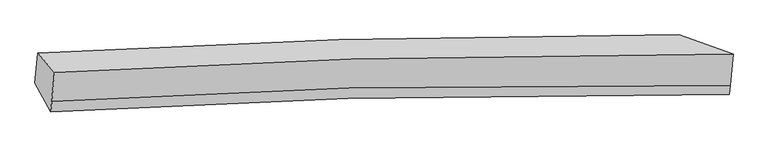
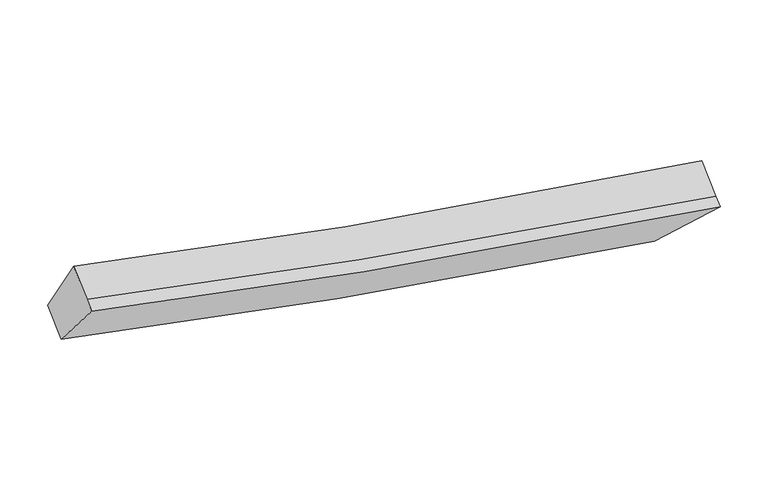
"""IFC4 building model written with IfcOpenShell, lengths in millimetres: proxy geometry."""

from ifc_helpers import new_model, si_unit, frame, origin, place, context, project, spatial, source, transform, mapped, element, save
from ifc_brep_helpers import plane_surface, spline_curve, spline_surface, advanced_brep


def generic_models_a86edc27(model_context):
    return source(origin(), model_context, "Body", "AdvancedBrep", [
        advanced_brep(
        [(-3768.7200164, -1837.3571169, 3770.416521), (-3553.0541688, -2086.0292659, 4405.5065287), (5180.675078, -1850.7125673, 2736.8509663), (4483.9460682, -1600.6828595, 2171.088814), (-3588.2545956, -2460.8956087, 4167.3716701), (5142.7929493, -2254.1376492, 2480.5740914), (-3600.8966666, -2595.5271283, 4081.846633), (5131.7311372, -2371.9402289, 2405.739684), (-3804.9261544, -2222.9337645, 3525.4779124), (4446.6234733, -1998.1491965, 1918.5972479)],
        [
            (0, 1),
            (1, 2, spline_curve(3, [(-3553.0541688, -2086.0292659, 4405.5065287), (-2316.325202993, -2011.109273895, 4086.216984149), (-1042.312830907, -1954.031967709, 3797.410274788), (1851.885776351, -1867.436109861, 3227.256226947), (3489.116486075, -1846.074516311, 2959.84441549), (5180.675078, -1850.7125673, 2736.8509663)], [4, 2, 4], [0.0, 12.869900217892692, 28.405526718290748])),
            (2, 3),
            (3, 0, spline_curve(3, [(4483.9460682, -1600.6828595, 2171.088814), (3078.78674097, -1593.865757717, 2348.134013467), (1619.282956278, -1614.375431979, 2587.815163249), (-1148.655413971, -1701.840176067, 3140.575393585), (-2440.040323919, -1760.221920347, 3434.003478972), (-3768.7200164, -1837.3571169, 3770.416521)], [4, 2, 4], [0.0, 15.535626500398056, 28.405526718290748])),
            (1, 4),
            (4, 5, spline_curve(3, [(-3588.2545956, -2460.8956087, 4167.3716701), (-2351.190117838, -2382.402587943, 3850.351901922), (-1077.177745708, -2325.325281868, 3561.545192504), (1816.280343593, -2246.615558461, 2986.381456111), (3452.617152649, -2234.773544583, 2712.922305895), (5142.7929493, -2254.1376492, 2480.5740914)], [4, 2, 4], [0.0, 13.23068285062829, 29.20182043775708])),
            (5, 2),
            (4, 6),
            (6, 7, spline_curve(3, [(-3600.8966666, -2595.5271283, 4081.846633), (-2364.029897575, -2519.139602684, 3763.489343024), (-1090.01752525, -2462.062296857, 3474.682633658), (1803.876932036, -2378.705474055, 2902.470979958), (3440.740494658, -2361.2538136, 2632.575372881), (5131.7311372, -2371.9402289, 2405.739684)], [4, 2, 4], [0.0, 13.230695913678227, 29.201849269590095])),
            (7, 5),
            (6, 8),
            (8, 9, spline_curve(3, [(-3804.9261544, -2222.9337645, 3525.4779124), (-2476.106780593, -2144.311030084, 3190.009832673), (-1184.721870099, -2085.929285815, 2896.581747067), (1582.908204276, -2001.74772928, 2341.735863537), (3042.039837087, -1985.201284423, 2099.537060932), (4446.6234733, -1998.1491965, 1918.5972479)], [4, 2, 4], [0.0, 12.869863147850417, 28.40544489993486])),
            (9, 7),
            (8, 0),
            (3, 9),
        ],
        [
            spline_surface(3, 3, [[(-3768.7200164, -1837.3571169, 3770.416521), (-2440.040324131, -1760.22192043, 3434.003479072), (-1148.655414003, -1701.840175854, 3140.57539343), (1619.282956317, -1614.375432236, 2587.815163436), (3078.78674103, -1593.865757677, 2348.134013426), (4483.9460682, -1600.6828595, 2171.088814)], [(-3696.831400535, -1920.247833233, 3982.113190235), (-2398.801950486, -1843.851038305, 3651.407980751), (-1113.207886284, -1785.90410654, 3359.520353899), (1696.817229681, -1698.728991362, 2800.962184598), (3215.563322787, -1677.935343868, 2552.037480753), (4716.189071467, -1684.026095459, 2359.676198101)], [(-3624.942784665, -2003.138549567, 4193.809859465), (-2357.563576837, -1927.480156179, 3868.812482425), (-1077.760358625, -1869.968037226, 3578.465314353), (1774.351502985, -1783.08255049, 3014.109205744), (3352.339904544, -1762.004929982, 2755.940948076), (4948.432074733, -1767.369331341, 2548.263582199)], [(-3553.0541688, -2086.0292659, 4405.5065287), (-2316.325203192, -2011.109274054, 4086.216984104), (-1042.312830906, -1954.031967912, 3797.410274822), (1851.885776349, -1867.436109616, 3227.256226906), (3489.116486301, -1846.074516172, 2959.844415403), (5180.675078, -1850.7125673, 2736.8509663)]], [4, 4], [4, 2, 4], [0.0, 2.354558683594289], [0.0, 12.869900217892692, 28.405526718290748]),
            spline_surface(3, 3, [[(-3553.0541688, -2086.0292659, 4405.5065287), (-2316.325203192, -2011.109274054, 4086.216984104), (-1042.312830906, -1954.031967912, 3797.410274822), (1851.885776349, -1867.436109616, 3227.256226906), (3489.116486301, -1846.074516172, 2959.844415403), (5180.675078, -1850.7125673, 2736.8509663)], [(-3564.787644388, -2210.984713516, 4326.128242493), (-2327.946841462, -2134.873712075, 4007.595289965), (-1053.934469177, -2077.796405934, 3718.788580683), (1840.017298722, -1993.829259149, 3146.964636666), (3476.950041791, -1975.640858933, 2877.537045579), (5168.047701763, -1985.1875946, 2651.425341341)], [(-3576.521120012, -2335.940161084, 4246.749956307), (-2339.56847977, -2258.638150049, 3928.973595845), (-1065.556107385, -2201.560844007, 3640.166886564), (1828.148821157, -2120.222408734, 3066.673046446), (3464.783597292, -2105.207201694, 2795.229675734), (5155.420325537, -2119.6626219, 2565.999716359)], [(-3588.2545956, -2460.8956087, 4167.3716701), (-2351.190118041, -2382.402588071, 3850.351901706), (-1077.177745655, -2325.325282029, 3561.545192425), (1816.280343529, -2246.615558267, 2986.381456207), (3452.617152781, -2234.773544455, 2712.92230591), (5142.7929493, -2254.1376492, 2480.5740914)]], [4, 4], [4, 2, 4], [0.0, 1.4663974804050244], [0.0, 13.23068285062829, 29.20182043775708]),
            spline_surface(3, 3, [[(-3588.2545956, -2460.8956087, 4167.3716701), (-2351.190118041, -2382.402588071, 3850.351901706), (-1077.177745655, -2325.325282029, 3561.545192425), (1816.280343529, -2246.615558267, 2986.381456207), (3452.617152781, -2234.773544455, 2712.92230591), (5142.7929493, -2254.1376492, 2480.5740914)], [(-3592.468619288, -2505.772781896, 4138.863324397), (-2355.47004462, -2427.981592987, 3821.397715504), (-1081.457672235, -2370.904286945, 3532.591006223), (1812.145873117, -2290.64553022, 2958.411297386), (3448.658266689, -2276.933634191, 2686.139994826), (5139.105678573, -2293.405175747, 2455.62928891)], [(-3596.682642912, -2550.649955104, 4110.354978703), (-2359.749971137, -2473.560597914, 3792.443529311), (-1085.737598851, -2416.483291872, 3503.63682003), (1808.011402667, -2334.675502185, 2930.441138574), (3444.699380677, -2319.093723988, 2659.357683813), (5135.418407927, -2332.672702353, 2430.68448649)], [(-3600.8966666, -2595.5271283, 4081.846633), (-2364.029897716, -2519.13960283, 3763.489343109), (-1090.017525431, -2462.062296788, 3474.682633828), (1803.876932254, -2378.705474138, 2902.470979753), (3440.740494585, -2361.253813724, 2632.57537273), (5131.7311372, -2371.9402289, 2405.739684)]], [4, 4], [4, 2, 4], [0.0, 0.5221196202646026], [0.0, 13.230695913678227, 29.201849269590095]),
            spline_surface(3, 3, [[(-3600.8966666, -2595.5271283, 4081.846633), (-2364.029897716, -2519.13960283, 3763.489343109), (-1090.017525431, -2462.062296788, 3474.682633828), (1803.876932254, -2378.705474138, 2902.470979753), (3440.740494585, -2361.253813724, 2632.57537273), (5131.7311372, -2371.9402289, 2405.739684)], [(-3668.90649586, -2471.329340349, 3896.39039278), (-2401.388858619, -2394.196745292, 3572.329506339), (-1121.585640407, -2336.684626439, 3281.982338268), (1730.220689666, -2253.052892584, 2715.559274337), (3307.840275391, -2235.902970704, 2454.895935504), (4903.361915901, -2247.343218117, 2243.358871981)], [(-3736.91632514, -2347.131552451, 3710.93415262), (-2438.747819539, -2269.253887807, 3381.169669629), (-1153.153755338, -2211.306956042, 3089.282042678), (1656.564447123, -2127.400310981, 2528.647568891), (3174.940056193, -2110.552127632, 2277.216498235), (4674.992694599, -2122.746207283, 2080.978059919)], [(-3804.9261544, -2222.9337645, 3525.4779124), (-2476.106780441, -2144.311030269, 3190.009832859), (-1184.721870313, -2085.929285693, 2896.581747118), (1582.908204534, -2001.747729427, 2341.735863475), (3042.039836999, -1985.201284612, 2099.537061009), (4446.6234733, -1998.1491965, 1918.5972479)]], [4, 4], [4, 2, 4], [0.0, 2.3044554488787155], [0.0, 12.869863147850417, 28.40544489993486]),
            spline_surface(3, 3, [[(-3804.9261544, -2222.9337645, 3525.4779124), (-2476.106780441, -2144.311030269, 3190.009832859), (-1184.721870313, -2085.929285693, 2896.581747118), (1582.908204534, -2001.747729427, 2341.735863475), (3042.039836999, -1985.201284612, 2099.537061009), (4446.6234733, -1998.1491965, 1918.5972479)], [(-3792.85744173, -2094.408215305, 3607.124115295), (-2464.084628334, -2016.281326995, 3271.341048291), (-1172.699718206, -1957.899582419, 2977.91296255), (1595.033121799, -1872.623630369, 2423.76229679), (3054.288805038, -1854.756108944, 2182.402711815), (4459.064338296, -1865.660417477, 2002.761103267)], [(-3780.78872907, -1965.882666095, 3688.770318105), (-2452.062476238, -1888.251623704, 3352.67226364), (-1160.67756611, -1829.869879128, 3059.244177998), (1607.158039052, -1743.499531295, 2505.788730121), (3066.53777299, -1724.310933345, 2265.26836262), (4471.505203204, -1733.171638523, 2086.924958633)], [(-3768.7200164, -1837.3571169, 3770.416521), (-2440.040324131, -1760.22192043, 3434.003479072), (-1148.655414003, -1701.840175854, 3140.57539343), (1619.282956317, -1614.375432236, 2587.815163436), (3078.78674103, -1593.865757677, 2348.134013426), (4483.9460682, -1600.6828595, 2171.088814)]], [4, 4], [4, 2, 4], [0.0, 1.5053694228084795], [0.0, 12.509020170254477, 27.609017991592644]),
            plane_surface(frame((4810.7439392, -1955.3712131, 2308.0691781), z_axis=(0.6627256680362557, 0.35621853997470815, -0.6587131702829283), x_axis=(-0.744682243365653, 0.4062946003781077, -0.5295026478871396))),
            plane_surface(frame((-3681.8992516, -2185.4618189, 3945.8118988), z_axis=(-0.9533109605724475, -0.09299979116325108, 0.2873138550366639), x_axis=(-0.07901294414077968, -0.8414469974287536, -0.5345314819319262))),
        ],
        [
            (0, [[1, 2, 3, 4]]),
            (1, [[5, 6, 7, -2]]),
            (2, [[8, 9, 10, -6]]),
            (3, [[11, 12, 13, -9]]),
            (4, [[14, -4, 15, -12]]),
            (5, [[-13, -15, -3, -7, -10]]),
            (6, [[-14, -11, -8, -5, -1]]),
        ],
    ),
    ])


if __name__ == "__main__":
    model = new_model("IFC4")
    model_context = context("Model", 3, world=origin())
    ifc_project = project(units=[si_unit("LENGTHUNIT", "METRE", prefix="MILLI")], contexts=[model_context])
    site = spatial("IfcSite", under=ifc_project)
    building = spatial("IfcBuilding", under=site)
    placement = place(None, origin())
    generic_models_shape = generic_models_a86edc27(model_context)
    element("IfcBuildingElementProxy", 1, Name="Generic Models", at=placement, inside=building, context=model_context, shape_type="MappedRepresentation", body=[
        mapped(generic_models_shape, transform((0.0, 0.0, 0.0), x_axis=(1.0, 0.0, 0.0), y_axis=(0.0, 1.0, 0.0), z_axis=(0.0, 0.0, 1.0))),
    ])
    save(model, "model.ifc")
